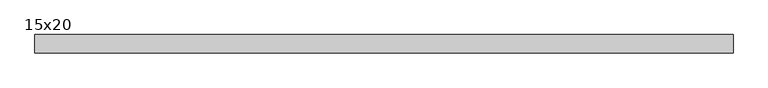
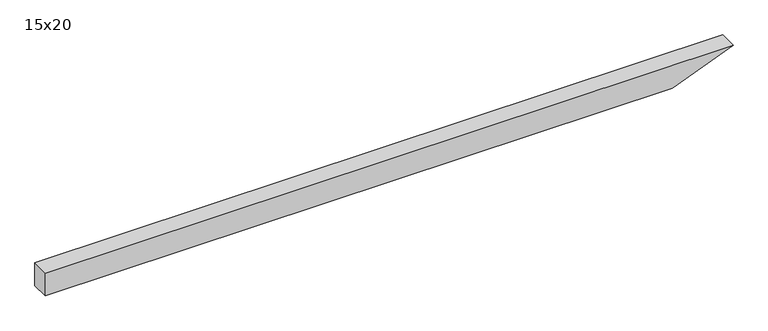
"""IFC4 building model written with IfcOpenShell, lengths in millimetres: beam geometry, 15x20."""

from ifc_helpers import new_model, si_unit, frame, origin, place, context, project, spatial, polyline, outline, extrude, source, transform, mapped, element, save


def beam_15x20_95da3ba4(model_context):
    return source(origin(), model_context, "Body", "SweptSolid", [
        extrude(outline(polyline([(100.0, -2723.5), (-100.0, -2723.5), (-100.0, 2467.3), (100.0, 2969.5), (100.0, -2723.5)])), frame((0.0, -75.0, 0.0), z_axis=(0.0, 1.0, 0.0), x_axis=(0.0, 0.0, 1.0)), (0.0, 0.0, 1.0), 150.0),
    ])


if __name__ == "__main__":
    model = new_model("IFC4")
    model_context = context("Model", 3, world=origin())
    ifc_project = project(units=[si_unit("LENGTHUNIT", "METRE", prefix="MILLI")], contexts=[model_context])
    site = spatial("IfcSite", under=ifc_project)
    building = spatial("IfcBuilding", under=site)
    placement = place(None, origin())
    beam_15x20_shape = beam_15x20_95da3ba4(model_context)
    element("IfcBeam", 1, ObjectType="15x20", at=placement, inside=building, context=model_context, shape_type="MappedRepresentation", body=[
        mapped(beam_15x20_shape, transform((0.0, 0.0, 0.0), x_axis=(1.0, 0.0, 0.0), y_axis=(0.0, 1.0, 0.0), z_axis=(0.0, 0.0, 1.0))),
    ])
    save(model, "model.ifc")
